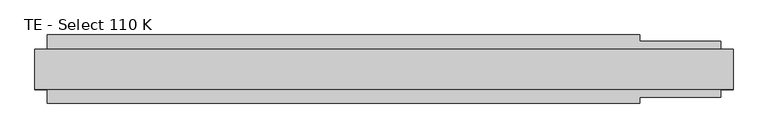
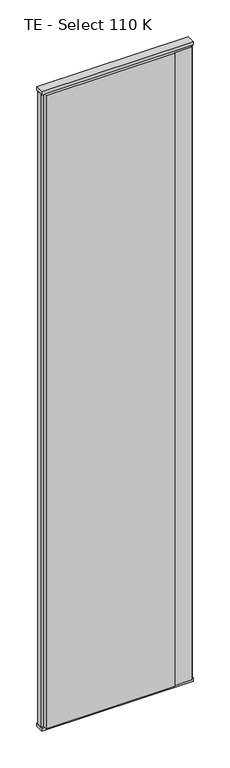
"""IFC4 building model written with IfcOpenShell, lengths in millimetres: plate geometry, TE - Select 110 K."""

from ifc_helpers import new_model, si_unit, frame, origin, origin_with_axes, place, context, project, spatial, polyline, outline, extrude, source, transform, mapped, element, save


def te_select_110_k_59bdd56b(model_context):
    return source(origin(), model_context, "Body", "SweptSolid", [
        extrude(outline(polyline([(410.5, 55.0), (410.5, 45.0), (540.5, 45.0), (540.5, 22.9993165), (560.5, 17.6401049), (560.5, -17.6401049), (540.5, -22.9993165), (540.5, -45.0), (410.5, -45.0), (410.5, -55.0), (-540.5, -55.0), (-540.5, -22.9993165), (-560.5, -17.6401049), (-560.5, 17.6401049), (-540.5, 22.9993165), (-540.5, 55.0), (410.5, 55.0)])), frame((0.0, 0.0, 25.0), z_axis=(0.0, 0.0, 1.0), x_axis=(1.0, 0.0, 0.0)), (0.0, 0.0, 1.0), 4950.0),
        extrude(outline(polyline([(560.5, 32.0), (560.5, -32.0), (-560.5, -32.0), (-560.5, 32.0), (560.5, 32.0)])), origin_with_axes(), (0.0, 0.0, 1.0), 25.0),
        extrude(outline(polyline([(560.5, 32.0), (560.5, -32.0), (-560.5, -32.0), (-560.5, 32.0), (560.5, 32.0)])), frame((0.0, 0.0, 4975.0), z_axis=(0.0, 0.0, 1.0), x_axis=(1.0, 0.0, 0.0)), (0.0, 0.0, 1.0), 25.0),
    ])


if __name__ == "__main__":
    model = new_model("IFC4")
    model_context = context("Model", 3, world=origin())
    ifc_project = project(units=[si_unit("LENGTHUNIT", "METRE", prefix="MILLI")], contexts=[model_context])
    site = spatial("IfcSite", under=ifc_project)
    building = spatial("IfcBuilding", under=site)
    placement = place(None, origin())
    te_select_110_k_shape = te_select_110_k_59bdd56b(model_context)
    element("IfcPlate", 1, ObjectType="TE - Select 110 K", at=placement, inside=building, context=model_context, shape_type="MappedRepresentation", body=[
        mapped(te_select_110_k_shape, transform((0.0, 0.0, 0.0), x_axis=(1.0, 0.0, 0.0), y_axis=(0.0, 1.0, 0.0), z_axis=(0.0, 0.0, 1.0))),
    ])
    save(model, "model.ifc")
